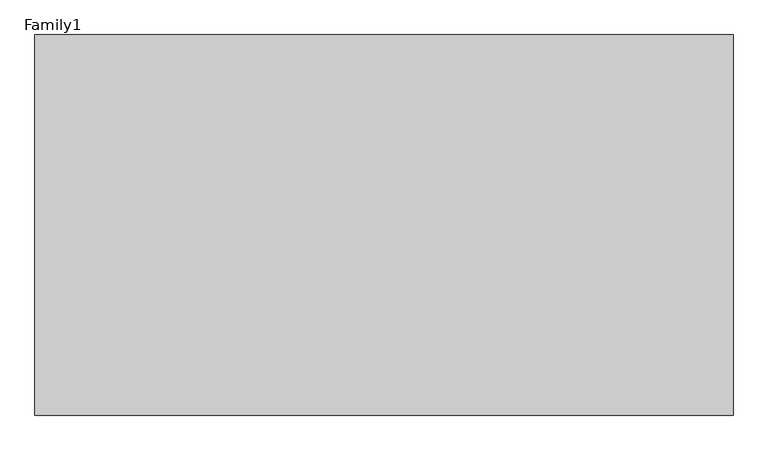
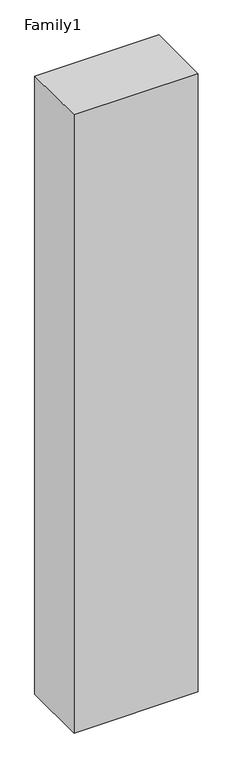
"""IFC4 building model written with IfcOpenShell, lengths in millimetres: proxy geometry, Family1."""

from ifc_helpers import new_model, si_unit, origin, origin_with_axes, place, context, project, spatial, polyline, outline, extrude, source, transform, mapped, element, save


def family1_5d7a1b15(model_context):
    return source(origin(), model_context, "Body", "SweptSolid", [
        extrude(outline(polyline([(5500.0, 0.0), (0.0, 0.0), (0.0, 3000.0), (5500.0, 3000.0), (5500.0, 0.0)])), origin_with_axes(), (0.0, 0.0, 1.0), 28900.0),
    ])


if __name__ == "__main__":
    model = new_model("IFC4")
    model_context = context("Model", 3, world=origin())
    ifc_project = project(units=[si_unit("LENGTHUNIT", "METRE", prefix="MILLI")], contexts=[model_context])
    site = spatial("IfcSite", under=ifc_project)
    building = spatial("IfcBuilding", under=site)
    placement = place(None, origin())
    family1_shape = family1_5d7a1b15(model_context)
    element("IfcBuildingElementProxy", 1, Name="Family1", ObjectType="Family1", at=placement, inside=building, context=model_context, shape_type="MappedRepresentation", body=[
        mapped(family1_shape, transform((0.0, 0.0, 0.0), x_axis=(1.0, 0.0, 0.0), y_axis=(0.0, 1.0, 0.0), z_axis=(0.0, 0.0, 1.0))),
    ])
    save(model, "model.ifc")
